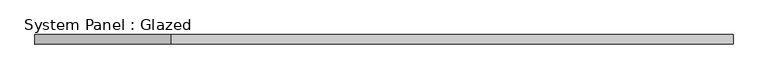
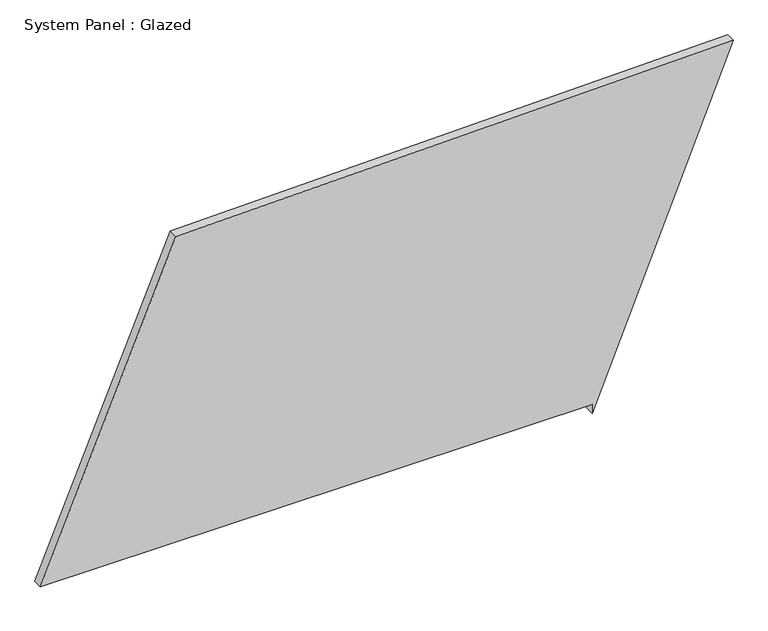
"""IFC4 building model written with IfcOpenShell, lengths in millimetres: plate geometry, System Panel : Glazed."""

from ifc_helpers import new_model, si_unit, frame, origin, place, context, project, spatial, polyline, outline, extrude, source, transform, mapped, element, save


def system_panel_glazed_1df06a2c(model_context):
    return source(origin(), model_context, "Body", "SweptSolid", [
        extrude(outline(polyline([(25.0, 541.7335169), (0.0, 541.7335169), (910.3796936, 913.5347142), (877.7454578, -556.1019461), (25.0, -913.5347142), (25.0, 541.7335169)])), frame((0.0, -49.5, 0.0), z_axis=(0.0, 1.0, 0.0), x_axis=(0.0, 0.0, 1.0)), (0.0, 0.0, 1.0), 25.0),
    ])


if __name__ == "__main__":
    model = new_model("IFC4")
    model_context = context("Model", 3, world=origin())
    ifc_project = project(units=[si_unit("LENGTHUNIT", "METRE", prefix="MILLI")], contexts=[model_context])
    site = spatial("IfcSite", under=ifc_project)
    building = spatial("IfcBuilding", under=site)
    placement = place(None, origin())
    system_panel_glazed_shape = system_panel_glazed_1df06a2c(model_context)
    element("IfcPlate", 1, ObjectType="System Panel : Glazed", at=placement, inside=building, context=model_context, shape_type="MappedRepresentation", body=[
        mapped(system_panel_glazed_shape, transform((0.0, 0.0, 0.0), x_axis=(1.0, 0.0, 0.0), y_axis=(0.0, 1.0, 0.0), z_axis=(0.0, 0.0, 1.0))),
    ])
    save(model, "model.ifc")
